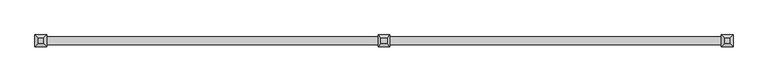
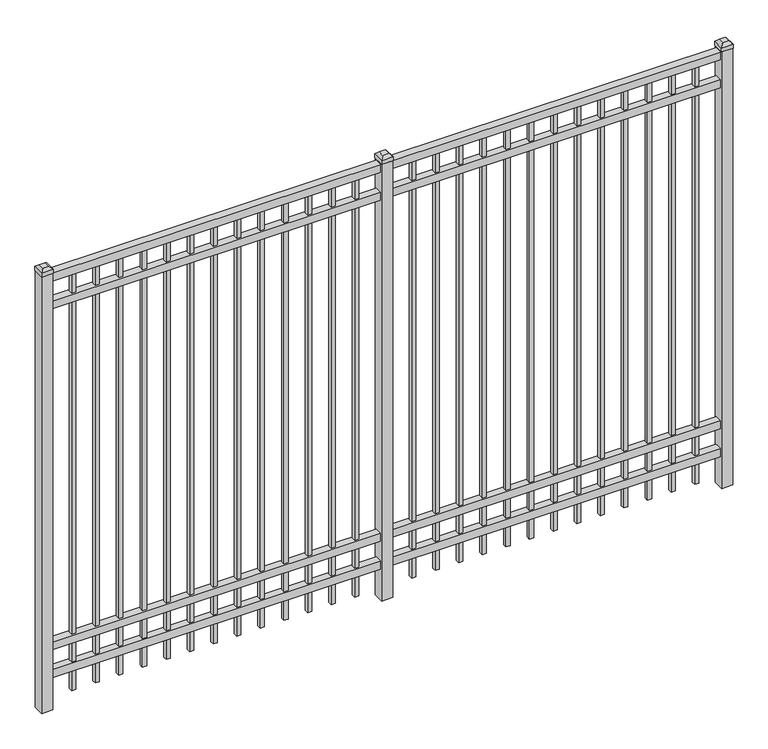
"""IFC4 building model written with IfcOpenShell, lengths in millimetres: railing geometry."""

import ifcopenshell
import ifcopenshell.guid

model = None  # the IFC model being written
_history = None  # IfcOwnerHistory: only IFC2X3 demands one
_inside = {}  # id of a spatial element -> (the spatial element, [elements in it])
_under = {}  # id of a project, library or spatial element -> (it, [spatial elements below it])
_declared = {}  # id of a project -> (the project, [libraries it declares])
_typed = {}  # id of a type object -> (the type object, [elements of that type])
_made_of = {}  # id of a material, layer set ... -> (it, [elements and type objects made of it])


def new_model(schema):
    """Start an empty IFC model of exactly this schema.

    Asked for "IFC4X3", IfcOpenShell would pick the latest addendum, in which some entities
    have other attributes; the version numbers below select the first issue.
    IFC2X3 requires an IfcOwnerHistory on every rooted entity: one is made here for all.
    """
    global model, _history
    if schema == "IFC4X3":
        model = ifcopenshell.file(schema_version=(4, 3, 0, 0))
    else:
        model = ifcopenshell.file(schema=schema)
    _inside.clear()
    _under.clear()
    _declared.clear()
    _typed.clear()
    _made_of.clear()
    _history = None
    if model.schema == "IFC2X3":
        org = make("IfcOrganization", Name="unknown")
        user = make(
            "IfcPersonAndOrganization",
            ThePerson=make("IfcPerson", FamilyName="unknown"),
            TheOrganization=org,
        )
        app = make(
            "IfcApplication",
            ApplicationDeveloper=org,
            Version="unknown",
            ApplicationFullName="unknown",
            ApplicationIdentifier="unknown",
        )
        _history = make(
            "IfcOwnerHistory",
            OwningUser=user,
            OwningApplication=app,
            ChangeAction="ADDED",
            CreationDate=0,
        )
    return model


def make(cls, **values):
    """One entity of the class cls with the attributes given. An attribute that is None is left unset."""
    return model.create_entity(
        cls, **{name: value for name, value in values.items() if value is not None}
    )


def rooted(cls, **values):
    """An entity with a GlobalId (a new one), such as an element, a storey or a relation."""
    return make(cls, GlobalId=ifcopenshell.guid.new(), OwnerHistory=_history, **values)


def si_unit(unit_type, name, prefix=None):
    """IfcSIUnit, for example si_unit("LENGTHUNIT", "METRE", prefix="MILLI")."""
    return make("IfcSIUnit", UnitType=unit_type, Prefix=prefix, Name=name)


def assignment(units):
    """IfcUnitAssignment: the units of a project."""
    return None if units is None else make("IfcUnitAssignment", Units=units)


def point(xyz):
    """IfcCartesianPoint."""
    return None if xyz is None else make("IfcCartesianPoint", Coordinates=xyz)


def direction(xyz):
    """IfcDirection."""
    return None if xyz is None else make("IfcDirection", DirectionRatios=xyz)


def frame(location, z_axis=None, x_axis=None):
    """IfcAxis2Placement3D, a coordinate frame: its origin and axes. An axis left out is left unset."""
    return make(
        "IfcAxis2Placement3D",
        Location=point(location),
        Axis=direction(z_axis),
        RefDirection=direction(x_axis),
    )


def origin():
    """The frame at (0, 0, 0) with its axes left unset."""
    return frame((0.0, 0.0, 0.0))


def origin_with_axes():
    """The frame at (0, 0, 0) with the z axis (0, 0, 1) and the x axis (1, 0, 0) written out."""
    return frame((0.0, 0.0, 0.0), z_axis=(0.0, 0.0, 1.0), x_axis=(1.0, 0.0, 0.0))


def place(relative_to, where):
    """IfcLocalPlacement: puts the frame where relative to a parent placement (None: the world)."""
    return make(
        "IfcLocalPlacement", PlacementRelTo=relative_to, RelativePlacement=where
    )


def context(
    kind, dimensions, precision=None, world=None, true_north=None, identifier=None
):
    """IfcGeometricRepresentationContext, for example the 3D "Model" context."""
    return make(
        "IfcGeometricRepresentationContext",
        ContextIdentifier=identifier,
        ContextType=kind,
        CoordinateSpaceDimension=dimensions,
        Precision=precision,
        WorldCoordinateSystem=world,
        TrueNorth=true_north,
    )


def project(units=None, contexts=None):
    """IfcProject with its units and contexts."""
    return rooted(
        "IfcProject",
        Name="project",
        RepresentationContexts=contexts,
        UnitsInContext=assignment(units),
    )


def spatial(cls, under=None, at=None, **own):
    """A site, building, storey or space (cls), placed at a placement, below another one or the project."""
    s = rooted(cls, ObjectPlacement=at, **own)
    if under is not None:
        _under.setdefault(under.id(), (under, []))[1].append(s)
    return s


def polyline(points):
    """IfcPolyline through the points."""
    return make("IfcPolyline", Points=[point(p) for p in points])


def outline(outer, holes=None, kind="AREA"):
    """IfcArbitraryClosedProfileDef: a profile drawn as a closed curve; with holes, ...WithVoids."""
    if holes is None:
        return make("IfcArbitraryClosedProfileDef", ProfileType=kind, OuterCurve=outer)
    return make(
        "IfcArbitraryProfileDefWithVoids",
        ProfileType=kind,
        OuterCurve=outer,
        InnerCurves=holes,
    )


def extrude(swept, where, along, depth):
    """IfcExtrudedAreaSolid: the profile swept, set in the frame where, extruded along a direction by depth."""
    return make(
        "IfcExtrudedAreaSolid",
        SweptArea=swept,
        Position=where,
        ExtrudedDirection=direction(along),
        Depth=depth,
    )


def faces_of(points, faces, orient=None, outer=None):
    """IfcFace entities. A face is a list of loops; a loop is a list of indices into points, from 0.

    orient and outer hold one flag for each loop. By default every Orientation is true, the
    first loop of a face is its IfcFaceOuterBound and the others are IfcFaceBound.
    """
    made = []
    for i, loops in enumerate(faces):
        bounds = []
        for j, loop in enumerate(loops):
            is_outer = j == 0 if outer is None else outer[i][j]
            bounds.append(
                make(
                    "IfcFaceOuterBound" if is_outer else "IfcFaceBound",
                    Bound=make("IfcPolyLoop", Polygon=[points[k] for k in loop]),
                    Orientation=True if orient is None else orient[i][j],
                )
            )
        made.append(make("IfcFace", Bounds=bounds))
    return made


def faceted_brep(points, faces, orient=None, outer=None, voids=None):
    """IfcFacetedBrep: a solid bounded by flat faces; with voids (closed shells), ...WithVoids."""
    shared = [point(p) for p in points]
    hull = make("IfcClosedShell", CfsFaces=faces_of(shared, faces, orient, outer))
    if voids is None:
        return make("IfcFacetedBrep", Outer=hull)
    return make(
        "IfcFacetedBrepWithVoids",
        Outer=hull,
        Voids=[
            make(cls, CfsFaces=faces_of(shared, fs, o, b)) for cls, fs, o, b in voids
        ],
    )


def shape(context_of_items, identifier, shape_type, items):
    """IfcShapeRepresentation: the items that make up one representation, for example the "Body"."""
    return make(
        "IfcShapeRepresentation",
        ContextOfItems=context_of_items,
        RepresentationIdentifier=identifier,
        RepresentationType=shape_type,
        Items=items,
    )


def source(mapping_origin, context_of_items, identifier, shape_type, items):
    """IfcRepresentationMap: a shape defined once, which mapped items show again and again."""
    return make(
        "IfcRepresentationMap",
        MappingOrigin=mapping_origin,
        MappedRepresentation=shape(context_of_items, identifier, shape_type, items),
    )


def transform(
    local_origin,
    x_axis=None,
    y_axis=None,
    z_axis=None,
    scale=None,
    scale2=None,
    scale3=None,
    uniform=True,
):
    """IfcCartesianTransformationOperator3D, or its non-uniform kind. x_axis, y_axis, z_axis: its Axis1, 2, 3."""
    if uniform:
        return make(
            "IfcCartesianTransformationOperator3D",
            Axis1=direction(x_axis),
            Axis2=direction(y_axis),
            LocalOrigin=point(local_origin),
            Scale=scale,
            Axis3=direction(z_axis),
        )
    return make(
        "IfcCartesianTransformationOperator3DnonUniform",
        Axis1=direction(x_axis),
        Axis2=direction(y_axis),
        LocalOrigin=point(local_origin),
        Scale=scale,
        Axis3=direction(z_axis),
        Scale2=scale2,
        Scale3=scale3,
    )


def mapped(mapping_source, mapping_target):
    """IfcMappedItem: shows the shape of a source again, moved by a transform."""
    return make(
        "IfcMappedItem", MappingSource=mapping_source, MappingTarget=mapping_target
    )


def made_of(thing, what):
    """Note that an element or type object is made of a material, layer set ...; save() writes the relation."""
    if what is not None:
        _made_of.setdefault(what.id(), (what, []))[1].append(thing)
    return thing


def element(
    cls,
    number,
    at=None,
    inside=None,
    cuts=None,
    type_object=None,
    material=None,
    context=None,
    identifier="Body",
    shape_type=None,
    held_by="IfcProductDefinitionShape",
    body=None,
    shapes=None,
    **own,
):
    """One element of the class cls, such as IfcWall. Its Tag is "e" and its number.

    at: its placement. inside: the storey or other place that contains it. cuts: it is an
    opening in that element (IfcRelVoidsElement). A single representation is given by context,
    identifier, shape_type and body (its items); several are given by shapes. held_by: the class
    of the entity that holds the representations. save() writes the other relations.
    """
    e = rooted(cls, Tag="e%d" % number, ObjectPlacement=at, **own)
    if body is not None:
        shapes = [shape(context, identifier, shape_type, body)]
    if shapes is not None:
        e.Representation = make(held_by, Representations=shapes)
    if inside is not None:
        _inside.setdefault(inside.id(), (inside, []))[1].append(e)
    if cuts is not None:
        rooted(
            "IfcRelVoidsElement", RelatingBuildingElement=cuts, RelatedOpeningElement=e
        )
    if type_object is not None:
        _typed.setdefault(type_object.id(), (type_object, []))[1].append(e)
    return made_of(e, material)


def aggregate(whole, parts):
    """IfcRelAggregates: a whole, such as a stair, and the parts it consists of."""
    return rooted("IfcRelAggregates", RelatingObject=whole, RelatedObjects=parts)


def save(model, path):
    """Write the relations noted so far, then the file.

    IfcRelAggregates (storeys below a building ...), IfcRelContainedInSpatialStructure (elements
    in a storey), IfcRelDefinesByType, IfcRelAssociatesMaterial and IfcRelDeclares: one each for
    every whole, place, type object, material and project.
    """
    for whole, parts in _under.values():
        aggregate(whole, parts)
    for where, things in _inside.values():
        rooted(
            "IfcRelContainedInSpatialStructure",
            RelatedElements=things,
            RelatingStructure=where,
        )
    for kind, things in _typed.values():
        rooted("IfcRelDefinesByType", RelatedObjects=things, RelatingType=kind)
    for what, things in _made_of.values():
        rooted("IfcRelAssociatesMaterial", RelatedObjects=things, RelatingMaterial=what)
    for by, libraries in _declared.values():
        rooted("IfcRelDeclares", RelatingContext=by, RelatedDefinitions=libraries)
    model.write(path)


def railing_5b036f08(model_context):
    return source(origin(), model_context, "Body", "SolidModel", [
        extrude(outline(polyline([(-61345.318087, -6748.7195174), (-61345.318087, -6713.7945174), (-58195.718087, -6713.7945174), (-58195.718087, -6748.7195174), (-61345.318087, -6748.7195174)])), frame((0.0, 0.0, 2095.5), z_axis=(0.0, 0.0, 1.0), x_axis=(1.0, 0.0, 0.0)), (0.0, 0.0, 1.0), 38.1),
        extrude(outline(polyline([(-61345.318087, -6748.7195174), (-61345.318087, -6713.7945174), (-58195.718087, -6713.7945174), (-58195.718087, -6748.7195174), (-61345.318087, -6748.7195174)])), frame((0.0, 0.0, 1958.975), z_axis=(0.0, 0.0, 1.0), x_axis=(1.0, 0.0, 0.0)), (0.0, 0.0, 1.0), 38.1),
        extrude(outline(polyline([(-61345.318087, -6748.7195174), (-61345.318087, -6713.7945174), (-58195.718087, -6713.7945174), (-58195.718087, -6748.7195174), (-61345.318087, -6748.7195174)])), frame((0.0, 0.0, 288.925), z_axis=(0.0, 0.0, 1.0), x_axis=(1.0, 0.0, 0.0)), (0.0, 0.0, 1.0), 38.1),
        extrude(outline(polyline([(-61345.318087, -6748.7195174), (-61345.318087, -6713.7945174), (-58195.718087, -6713.7945174), (-58195.718087, -6748.7195174), (-61345.318087, -6748.7195174)])), frame((0.0, 0.0, 152.4), z_axis=(0.0, 0.0, 1.0), x_axis=(1.0, 0.0, 0.0)), (0.0, 0.0, 1.0), 38.1),
        extrude(outline(polyline([(-58427.2285036, -6721.7320174), (-58427.2285036, -6740.7820174), (-58446.2785036, -6740.7820174), (-58446.2785036, -6721.7320174), (-58427.2285036, -6721.7320174)])), frame((0.0, 0.0, 50.8), z_axis=(0.0, 0.0, 1.0), x_axis=(1.0, 0.0, 0.0)), (0.0, 0.0, 1.0), 2044.7),
        extrude(outline(polyline([(-58536.5014203, -6721.7320174), (-58536.5014203, -6740.7820174), (-58555.5514203, -6740.7820174), (-58555.5514203, -6721.7320174), (-58536.5014203, -6721.7320174)])), frame((0.0, 0.0, 50.8), z_axis=(0.0, 0.0, 1.0), x_axis=(1.0, 0.0, 0.0)), (0.0, 0.0, 1.0), 2044.7),
        extrude(outline(polyline([(-58645.774337, -6721.7320174), (-58645.774337, -6740.7820174), (-58664.824337, -6740.7820174), (-58664.824337, -6721.7320174), (-58645.774337, -6721.7320174)])), frame((0.0, 0.0, 50.8), z_axis=(0.0, 0.0, 1.0), x_axis=(1.0, 0.0, 0.0)), (0.0, 0.0, 1.0), 2044.7),
        extrude(outline(polyline([(-58755.0472536, -6721.7320174), (-58755.0472536, -6740.7820174), (-58774.0972536, -6740.7820174), (-58774.0972536, -6721.7320174), (-58755.0472536, -6721.7320174)])), frame((0.0, 0.0, 50.8), z_axis=(0.0, 0.0, 1.0), x_axis=(1.0, 0.0, 0.0)), (0.0, 0.0, 1.0), 2044.7),
        extrude(outline(polyline([(-58864.3201703, -6721.7320174), (-58864.3201703, -6740.7820174), (-58883.3701703, -6740.7820174), (-58883.3701703, -6721.7320174), (-58864.3201703, -6721.7320174)])), frame((0.0, 0.0, 50.8), z_axis=(0.0, 0.0, 1.0), x_axis=(1.0, 0.0, 0.0)), (0.0, 0.0, 1.0), 2044.7),
        extrude(outline(polyline([(-58973.593087, -6721.7320174), (-58973.593087, -6740.7820174), (-58992.643087, -6740.7820174), (-58992.643087, -6721.7320174), (-58973.593087, -6721.7320174)])), frame((0.0, 0.0, 50.8), z_axis=(0.0, 0.0, 1.0), x_axis=(1.0, 0.0, 0.0)), (0.0, 0.0, 1.0), 2044.7),
        extrude(outline(polyline([(-59082.8660036, -6721.7320174), (-59082.8660036, -6740.7820174), (-59101.9160036, -6740.7820174), (-59101.9160036, -6721.7320174), (-59082.8660036, -6721.7320174)])), frame((0.0, 0.0, 50.8), z_axis=(0.0, 0.0, 1.0), x_axis=(1.0, 0.0, 0.0)), (0.0, 0.0, 1.0), 2044.7),
        extrude(outline(polyline([(-59192.1389203, -6721.7320174), (-59192.1389203, -6740.7820174), (-59211.1889203, -6740.7820174), (-59211.1889203, -6721.7320174), (-59192.1389203, -6721.7320174)])), frame((0.0, 0.0, 50.8), z_axis=(0.0, 0.0, 1.0), x_axis=(1.0, 0.0, 0.0)), (0.0, 0.0, 1.0), 2044.7),
        extrude(outline(polyline([(-59301.411837, -6721.7320174), (-59301.411837, -6740.7820174), (-59320.461837, -6740.7820174), (-59320.461837, -6721.7320174), (-59301.411837, -6721.7320174)])), frame((0.0, 0.0, 50.8), z_axis=(0.0, 0.0, 1.0), x_axis=(1.0, 0.0, 0.0)), (0.0, 0.0, 1.0), 2044.7),
        extrude(outline(polyline([(-59410.6847536, -6721.7320174), (-59410.6847536, -6740.7820174), (-59429.7347536, -6740.7820174), (-59429.7347536, -6721.7320174), (-59410.6847536, -6721.7320174)])), frame((0.0, 0.0, 50.8), z_axis=(0.0, 0.0, 1.0), x_axis=(1.0, 0.0, 0.0)), (0.0, 0.0, 1.0), 2044.7),
        extrude(outline(polyline([(-59519.9576703, -6721.7320174), (-59519.9576703, -6740.7820174), (-59539.0076703, -6740.7820174), (-59539.0076703, -6721.7320174), (-59519.9576703, -6721.7320174)])), frame((0.0, 0.0, 50.8), z_axis=(0.0, 0.0, 1.0), x_axis=(1.0, 0.0, 0.0)), (0.0, 0.0, 1.0), 2044.7),
        extrude(outline(polyline([(-58317.955587, -6721.7320174), (-58317.955587, -6740.7820174), (-58337.005587, -6740.7820174), (-58337.005587, -6721.7320174), (-58317.955587, -6721.7320174)])), frame((0.0, 0.0, 50.8), z_axis=(0.0, 0.0, 1.0), x_axis=(1.0, 0.0, 0.0)), (0.0, 0.0, 1.0), 2044.7),
        extrude(outline(polyline([(-59629.230587, -6721.7320174), (-59629.230587, -6740.7820174), (-59648.280587, -6740.7820174), (-59648.280587, -6721.7320174), (-59629.230587, -6721.7320174)])), frame((0.0, 0.0, 50.8), z_axis=(0.0, 0.0, 1.0), x_axis=(1.0, 0.0, 0.0)), (0.0, 0.0, 1.0), 2044.7),
        extrude(outline(polyline([(-59745.118087, -6705.8570174), (-59745.118087, -6756.6570174), (-59795.918087, -6756.6570174), (-59795.918087, -6705.8570174), (-59745.118087, -6705.8570174)])), origin_with_axes(), (0.0, 0.0, 1.0), 2139.95),
        faceted_brep([(-59797.505587, -6704.2695174, 2159.0), (-59797.505587, -6704.2695174, 2139.95), (-59797.505587, -6758.2445174, 2139.95), (-59797.505587, -6758.2445174, 2159.0), (-59784.805587, -6716.9695174, 2171.7), (-59784.805587, -6745.5445174, 2171.7), (-59743.530587, -6758.2445174, 2139.95), (-59743.530587, -6758.2445174, 2159.0), (-59756.230587, -6745.5445174, 2171.7), (-59743.530587, -6704.2695174, 2139.95), (-59743.530587, -6704.2695174, 2159.0), (-59756.230587, -6716.9695174, 2171.7)], [[[0, 1, 2, 3]], [[4, 0, 3, 5]], [[3, 2, 6, 7]], [[5, 3, 7, 8]], [[7, 6, 9, 10]], [[8, 7, 10, 11]], [[10, 9, 1, 0]], [[11, 10, 0, 4]], [[5, 8, 11, 4]], [[1, 9, 6, 2]]]),
        extrude(outline(polyline([(-60002.0285036, -6721.7320174), (-60002.0285036, -6740.7820174), (-60021.0785036, -6740.7820174), (-60021.0785036, -6721.7320174), (-60002.0285036, -6721.7320174)])), frame((0.0, 0.0, 50.8), z_axis=(0.0, 0.0, 1.0), x_axis=(1.0, 0.0, 0.0)), (0.0, 0.0, 1.0), 2044.7),
        extrude(outline(polyline([(-60111.3014203, -6721.7320174), (-60111.3014203, -6740.7820174), (-60130.3514203, -6740.7820174), (-60130.3514203, -6721.7320174), (-60111.3014203, -6721.7320174)])), frame((0.0, 0.0, 50.8), z_axis=(0.0, 0.0, 1.0), x_axis=(1.0, 0.0, 0.0)), (0.0, 0.0, 1.0), 2044.7),
        extrude(outline(polyline([(-60220.574337, -6721.7320174), (-60220.574337, -6740.7820174), (-60239.624337, -6740.7820174), (-60239.624337, -6721.7320174), (-60220.574337, -6721.7320174)])), frame((0.0, 0.0, 50.8), z_axis=(0.0, 0.0, 1.0), x_axis=(1.0, 0.0, 0.0)), (0.0, 0.0, 1.0), 2044.7),
        extrude(outline(polyline([(-60329.8472536, -6721.7320174), (-60329.8472536, -6740.7820174), (-60348.8972536, -6740.7820174), (-60348.8972536, -6721.7320174), (-60329.8472536, -6721.7320174)])), frame((0.0, 0.0, 50.8), z_axis=(0.0, 0.0, 1.0), x_axis=(1.0, 0.0, 0.0)), (0.0, 0.0, 1.0), 2044.7),
        extrude(outline(polyline([(-60439.1201703, -6721.7320174), (-60439.1201703, -6740.7820174), (-60458.1701703, -6740.7820174), (-60458.1701703, -6721.7320174), (-60439.1201703, -6721.7320174)])), frame((0.0, 0.0, 50.8), z_axis=(0.0, 0.0, 1.0), x_axis=(1.0, 0.0, 0.0)), (0.0, 0.0, 1.0), 2044.7),
        extrude(outline(polyline([(-60548.393087, -6721.7320174), (-60548.393087, -6740.7820174), (-60567.443087, -6740.7820174), (-60567.443087, -6721.7320174), (-60548.393087, -6721.7320174)])), frame((0.0, 0.0, 50.8), z_axis=(0.0, 0.0, 1.0), x_axis=(1.0, 0.0, 0.0)), (0.0, 0.0, 1.0), 2044.7),
        extrude(outline(polyline([(-60657.6660036, -6721.7320174), (-60657.6660036, -6740.7820174), (-60676.7160036, -6740.7820174), (-60676.7160036, -6721.7320174), (-60657.6660036, -6721.7320174)])), frame((0.0, 0.0, 50.8), z_axis=(0.0, 0.0, 1.0), x_axis=(1.0, 0.0, 0.0)), (0.0, 0.0, 1.0), 2044.7),
        extrude(outline(polyline([(-60766.9389203, -6721.7320174), (-60766.9389203, -6740.7820174), (-60785.9889203, -6740.7820174), (-60785.9889203, -6721.7320174), (-60766.9389203, -6721.7320174)])), frame((0.0, 0.0, 50.8), z_axis=(0.0, 0.0, 1.0), x_axis=(1.0, 0.0, 0.0)), (0.0, 0.0, 1.0), 2044.7),
        extrude(outline(polyline([(-60876.211837, -6721.7320174), (-60876.211837, -6740.7820174), (-60895.261837, -6740.7820174), (-60895.261837, -6721.7320174), (-60876.211837, -6721.7320174)])), frame((0.0, 0.0, 50.8), z_axis=(0.0, 0.0, 1.0), x_axis=(1.0, 0.0, 0.0)), (0.0, 0.0, 1.0), 2044.7),
        extrude(outline(polyline([(-60985.4847536, -6721.7320174), (-60985.4847536, -6740.7820174), (-61004.5347536, -6740.7820174), (-61004.5347536, -6721.7320174), (-60985.4847536, -6721.7320174)])), frame((0.0, 0.0, 50.8), z_axis=(0.0, 0.0, 1.0), x_axis=(1.0, 0.0, 0.0)), (0.0, 0.0, 1.0), 2044.7),
        extrude(outline(polyline([(-61094.7576703, -6721.7320174), (-61094.7576703, -6740.7820174), (-61113.8076703, -6740.7820174), (-61113.8076703, -6721.7320174), (-61094.7576703, -6721.7320174)])), frame((0.0, 0.0, 50.8), z_axis=(0.0, 0.0, 1.0), x_axis=(1.0, 0.0, 0.0)), (0.0, 0.0, 1.0), 2044.7),
        extrude(outline(polyline([(-59892.755587, -6721.7320174), (-59892.755587, -6740.7820174), (-59911.805587, -6740.7820174), (-59911.805587, -6721.7320174), (-59892.755587, -6721.7320174)])), frame((0.0, 0.0, 50.8), z_axis=(0.0, 0.0, 1.0), x_axis=(1.0, 0.0, 0.0)), (0.0, 0.0, 1.0), 2044.7),
        extrude(outline(polyline([(-61204.030587, -6721.7320174), (-61204.030587, -6740.7820174), (-61223.080587, -6740.7820174), (-61223.080587, -6721.7320174), (-61204.030587, -6721.7320174)])), frame((0.0, 0.0, 50.8), z_axis=(0.0, 0.0, 1.0), x_axis=(1.0, 0.0, 0.0)), (0.0, 0.0, 1.0), 2044.7),
        extrude(outline(polyline([(-58170.318087, -6705.8570174), (-58170.318087, -6756.6570174), (-58221.118087, -6756.6570174), (-58221.118087, -6705.8570174), (-58170.318087, -6705.8570174)])), origin_with_axes(), (0.0, 0.0, 1.0), 2139.95),
        faceted_brep([(-58222.705587, -6704.2695174, 2159.0), (-58222.705587, -6704.2695174, 2139.95), (-58222.705587, -6758.2445174, 2139.95), (-58222.705587, -6758.2445174, 2159.0), (-58210.005587, -6716.9695174, 2171.7), (-58210.005587, -6745.5445174, 2171.7), (-58168.730587, -6758.2445174, 2139.95), (-58168.730587, -6758.2445174, 2159.0), (-58181.430587, -6745.5445174, 2171.7), (-58168.730587, -6704.2695174, 2139.95), (-58168.730587, -6704.2695174, 2159.0), (-58181.430587, -6716.9695174, 2171.7)], [[[0, 1, 2, 3]], [[4, 0, 3, 5]], [[3, 2, 6, 7]], [[5, 3, 7, 8]], [[7, 6, 9, 10]], [[8, 7, 10, 11]], [[10, 9, 1, 0]], [[11, 10, 0, 4]], [[5, 8, 11, 4]], [[1, 9, 6, 2]]]),
        extrude(outline(polyline([(-61319.918087, -6705.8570174), (-61319.918087, -6756.6570174), (-61370.718087, -6756.6570174), (-61370.718087, -6705.8570174), (-61319.918087, -6705.8570174)])), origin_with_axes(), (0.0, 0.0, 1.0), 2139.95),
        faceted_brep([(-61372.305587, -6704.2695174, 2159.0), (-61372.305587, -6704.2695174, 2139.95), (-61372.305587, -6758.2445174, 2139.95), (-61372.305587, -6758.2445174, 2159.0), (-61359.605587, -6716.9695174, 2171.7), (-61359.605587, -6745.5445174, 2171.7), (-61318.330587, -6758.2445174, 2139.95), (-61318.330587, -6758.2445174, 2159.0), (-61331.030587, -6745.5445174, 2171.7), (-61318.330587, -6704.2695174, 2139.95), (-61318.330587, -6704.2695174, 2159.0), (-61331.030587, -6716.9695174, 2171.7)], [[[0, 1, 2, 3]], [[4, 0, 3, 5]], [[3, 2, 6, 7]], [[5, 3, 7, 8]], [[7, 6, 9, 10]], [[8, 7, 10, 11]], [[10, 9, 1, 0]], [[11, 10, 0, 4]], [[5, 8, 11, 4]], [[1, 9, 6, 2]]]),
    ])


if __name__ == "__main__":
    model = new_model("IFC4")
    model_context = context("Model", 3, world=origin())
    ifc_project = project(units=[si_unit("LENGTHUNIT", "METRE", prefix="MILLI")], contexts=[model_context])
    site = spatial("IfcSite", under=ifc_project)
    building = spatial("IfcBuilding", under=site)
    placement = place(None, origin())
    railing_shape = railing_5b036f08(model_context)
    element("IfcRailing", 1, at=placement, inside=building, context=model_context, shape_type="MappedRepresentation", body=[
        mapped(railing_shape, transform((0.0, 0.0, 0.0), x_axis=(1.0, 0.0, 0.0), y_axis=(0.0, 1.0, 0.0), z_axis=(0.0, 0.0, 1.0))),
    ])
    save(model, "model.ifc")
